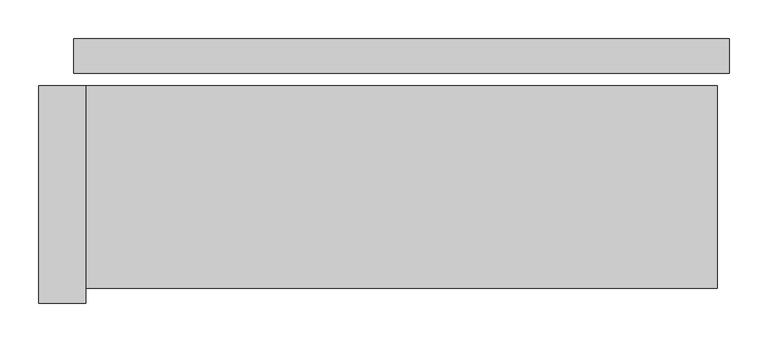
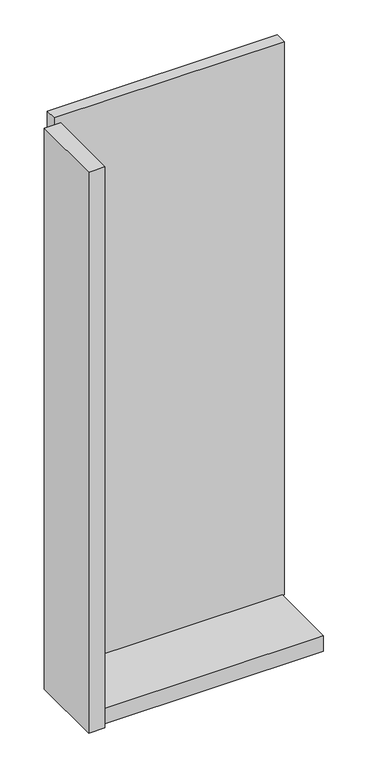
"""IFC4 building model written with IfcOpenShell, lengths in millimetres: plate geometry."""

from ifc_helpers import new_model, si_unit, frame, origin, origin_with_axes, place, context, project, spatial, polyline, outline, extrude, source, transform, mapped, element, save


def plate_c461a0bd(model_context):
    return source(origin(), model_context, "Body", "SweptSolid", [
        extrude(outline(polyline([(421.0, 0.0), (421.0, -44.0), (-421.0, -44.0), (-421.0, 0.0), (421.0, 0.0)])), origin_with_axes(), (0.0, 0.0, 1.0), 2142.0),
        extrude(outline(polyline([(-406.0, -60.0), (-406.0, -340.0), (-466.0, -340.0), (-466.0, -60.0), (-406.0, -60.0)])), frame((0.0, 0.0, -45.0), z_axis=(0.0, 0.0, 1.0), x_axis=(1.0, 0.0, 0.0)), (0.0, 0.0, 1.0), 2172.0),
        extrude(outline(polyline([(406.0, -320.0), (-406.0, -320.0), (-406.0, -60.0), (406.0, -60.0), (406.0, -320.0)])), frame((0.0, 0.0, -45.0), z_axis=(0.0, 0.0, 1.0), x_axis=(1.0, 0.0, 0.0)), (0.0, 0.0, 1.0), 60.0),
    ])


if __name__ == "__main__":
    model = new_model("IFC4")
    model_context = context("Model", 3, world=origin())
    ifc_project = project(units=[si_unit("LENGTHUNIT", "METRE", prefix="MILLI")], contexts=[model_context])
    site = spatial("IfcSite", under=ifc_project)
    building = spatial("IfcBuilding", under=site)
    placement = place(None, origin())
    plate_shape = plate_c461a0bd(model_context)
    element("IfcPlate", 1, at=placement, inside=building, context=model_context, shape_type="MappedRepresentation", body=[
        mapped(plate_shape, transform((0.0, 0.0, 0.0), x_axis=(1.0, 0.0, 0.0), y_axis=(0.0, 1.0, 0.0), z_axis=(0.0, 0.0, 1.0))),
    ])
    save(model, "model.ifc")
